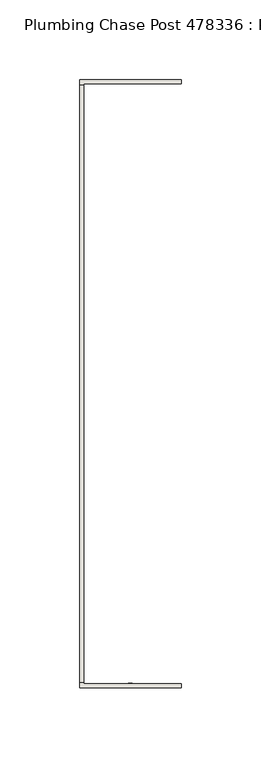
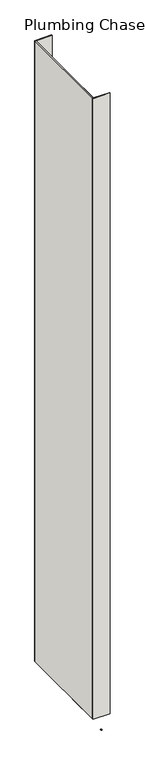
"""IFC4 building model written with IfcOpenShell, lengths in millimetres: wall geometry, Plumbing Chase Post 478336 : Plumbing Chase Post 478336."""

from ifc_helpers import new_model, si_unit, frame, origin, place, context, project, spatial, polyline, outline, extrude, source, transform, mapped, element, save


def plumbing_chase_post_478336_plumbing_chase_post_478336_d8d2d229(model_context):
    return source(origin(), model_context, "Body", "SweptSolid", [
        extrude(outline(polyline([(57408.482211, -51343.2363024), (57408.482211, -51345.7763024), (57405.942211, -51345.7763024), (57405.942211, -51343.2363024), (57408.482211, -51343.2363024)])), frame((0.0, 0.0, 4419.6), z_axis=(0.0, 0.0, 1.0), x_axis=(1.0, 0.0, 0.0)), (0.0, 0.0, 1.0), 2.54),
        extrude(outline(polyline([(57375.1955618, -51343.0769174), (57375.1955618, -50967.4874476), (57377.8620538, -50967.4874476), (57377.8620538, -51343.0769174), (57375.1955618, -51343.0769174)])), frame((0.0, 0.0, 4474.8958), z_axis=(0.0, 0.0, 1.0), x_axis=(1.0, 0.0, 0.0)), (0.0, 0.0, 1.0), 2481.1482254),
        extrude(outline(polyline([(57375.1955618, -51343.0769174), (57375.1955618, -50967.4874476), (57377.8620538, -50967.4874476), (57377.8620538, -51343.0769174), (57375.1955618, -51343.0769174)])), frame((0.0, 0.0, 4474.8958), z_axis=(0.0, 0.0, 1.0), x_axis=(1.0, 0.0, 0.0)), (0.0, 0.0, 1.0), 2481.1482254),
        extrude(outline(polyline([(57375.1955618, -51346.5309872), (57375.1955618, -51213.1809872), (57377.8620538, -51213.1809872), (57377.8620538, -51343.8644698), (57439.2040444, -51343.8644698), (57439.2040444, -51346.5309872), (57375.1955618, -51346.5309872)])), frame((0.0, 0.0, 4474.8958), z_axis=(0.0, 0.0, 1.0), x_axis=(1.0, 0.0, 0.0)), (0.0, 0.0, 1.0), 2481.1482254),
        extrude(outline(polyline([(57375.1955618, -51346.5309872), (57375.1955618, -51213.1809872), (57377.8620538, -51213.1809872), (57377.8620538, -51343.8644698), (57439.2040444, -51343.8644698), (57439.2040444, -51346.5309872), (57375.1955618, -51346.5309872)])), frame((0.0, 0.0, 4474.8958), z_axis=(0.0, 0.0, 1.0), x_axis=(1.0, 0.0, 0.0)), (0.0, 0.0, 1.0), 2481.1482254),
        extrude(outline(polyline([(57377.8620538, -51097.3834032), (57375.1955618, -51097.3834032), (57375.1955618, -50964.0334032), (57439.2040444, -50964.0334032), (57439.2040444, -50966.6998952), (57377.8620538, -50966.6751048), (57377.8620538, -51097.3834032)])), frame((0.0, 0.0, 4474.8958), z_axis=(0.0, 0.0, 1.0), x_axis=(1.0, 0.0, 0.0)), (0.0, 0.0, 1.0), 2481.1482254),
        extrude(outline(polyline([(57377.8620538, -51097.3834032), (57375.1955618, -51097.3834032), (57375.1955618, -50964.0334032), (57439.2040444, -50964.0334032), (57439.2040444, -50966.6998952), (57377.8620538, -50966.6751048), (57377.8620538, -51097.3834032)])), frame((0.0, 0.0, 4474.8958), z_axis=(0.0, 0.0, 1.0), x_axis=(1.0, 0.0, 0.0)), (0.0, 0.0, 1.0), 2481.1482254),
    ])


if __name__ == "__main__":
    model = new_model("IFC4")
    model_context = context("Model", 3, world=origin())
    ifc_project = project(units=[si_unit("LENGTHUNIT", "METRE", prefix="MILLI")], contexts=[model_context])
    site = spatial("IfcSite", under=ifc_project)
    building = spatial("IfcBuilding", under=site)
    placement = place(None, origin())
    plumbing_chase_post_478336_plumbing_chase_post_478336_shape = plumbing_chase_post_478336_plumbing_chase_post_478336_d8d2d229(model_context)
    element("IfcWall", 1, ObjectType="Plumbing Chase Post 478336 : Plumbing Chase Post 478336", at=placement, inside=building, context=model_context, shape_type="MappedRepresentation", body=[
        mapped(plumbing_chase_post_478336_plumbing_chase_post_478336_shape, transform((0.0, 0.0, 0.0), x_axis=(1.0, 0.0, 0.0), y_axis=(0.0, 1.0, 0.0), z_axis=(0.0, 0.0, 1.0))),
    ])
    save(model, "model.ifc")
